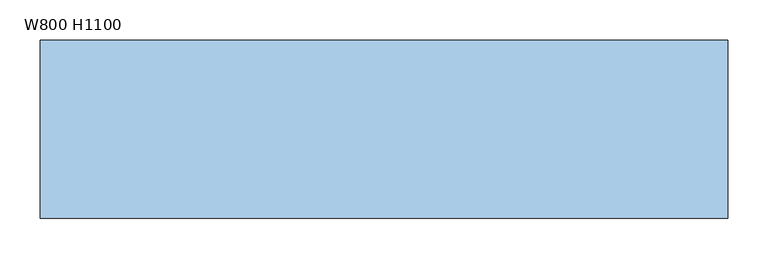
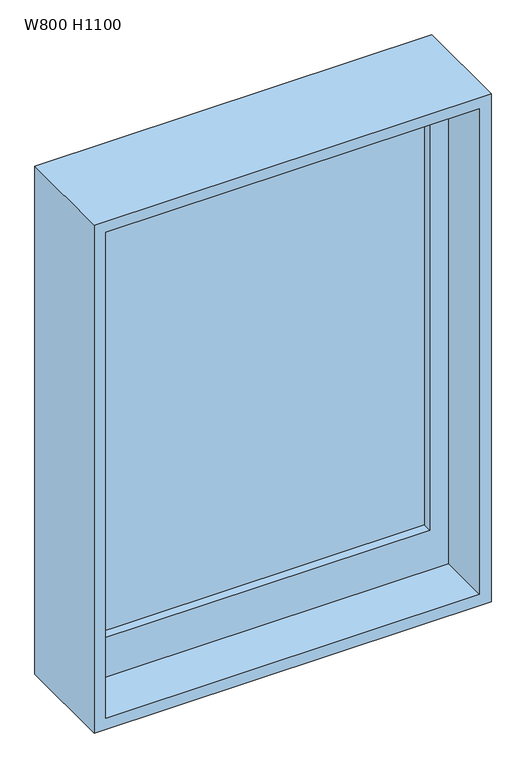
"""IFC4 building model written with IfcOpenShell, lengths in millimetres: window geometry, W800 H1100."""

from ifc_helpers import new_model, si_unit, frame, origin, place, context, project, spatial, polyline, outline, extrude, source, transform, mapped, element, save


def w800_h1100_43525bd9(model_context):
    return source(origin(), model_context, "Body", "SweptSolid", [
        extrude(outline(polyline([(-285.0, 30.0), (435.0, 30.0), (435.0, 25.0), (-285.0, 25.0), (-285.0, 30.0)])), frame((0.0, 0.0, 990.0), z_axis=(0.0, 0.0, 1.0), x_axis=(1.0, 0.0, 0.0)), (0.0, 0.0, 1.0), 970.0),
        extrude(outline(polyline([(2000.0, 475.0), (2000.0, -325.0), (900.0, -325.0), (900.0, 475.0), (2000.0, 475.0)]), holes=[polyline([(1960.0, 435.0), (990.0, 435.0), (990.0, -285.0), (1960.0, -285.0), (1960.0, 435.0)])]), frame((0.0, 5.0, 0.0), z_axis=(0.0, 1.0, 0.0), x_axis=(0.0, 0.0, 1.0)), (0.0, 0.0, 1.0), 30.0),
        extrude(outline(polyline([(2025.0, 500.0), (2025.0, -350.0), (875.0, -350.0), (875.0, 500.0), (2025.0, 500.0)]), holes=[polyline([(900.0, 475.0), (900.0, -325.0), (2000.0, -325.0), (2000.0, 475.0), (900.0, 475.0)])]), frame((0.0, -110.0, 0.0), z_axis=(0.0, 1.0, 0.0), x_axis=(0.0, 0.0, 1.0)), (0.0, 0.0, 1.0), 220.0),
    ])


if __name__ == "__main__":
    model = new_model("IFC4")
    model_context = context("Model", 3, world=origin())
    ifc_project = project(units=[si_unit("LENGTHUNIT", "METRE", prefix="MILLI")], contexts=[model_context])
    site = spatial("IfcSite", under=ifc_project)
    building = spatial("IfcBuilding", under=site)
    placement = place(None, origin())
    w800_h1100_shape = w800_h1100_43525bd9(model_context)
    element("IfcWindow", 1, ObjectType="W800 H1100", at=placement, inside=building, context=model_context, shape_type="MappedRepresentation", body=[
        mapped(w800_h1100_shape, transform((0.0, 0.0, 0.0), x_axis=(1.0, 0.0, 0.0), y_axis=(0.0, 1.0, 0.0), z_axis=(0.0, 0.0, 1.0))),
    ])
    save(model, "model.ifc")
